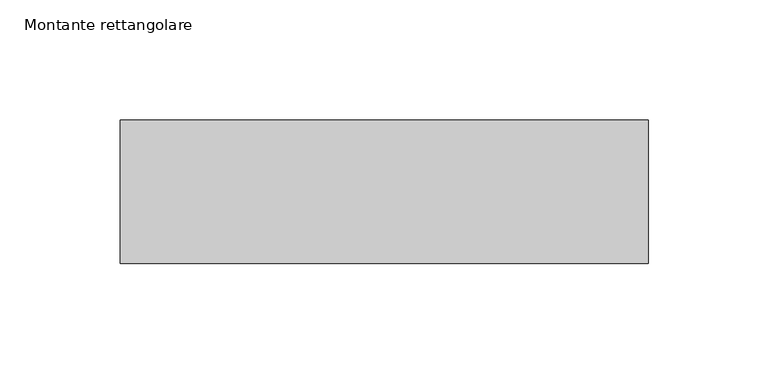
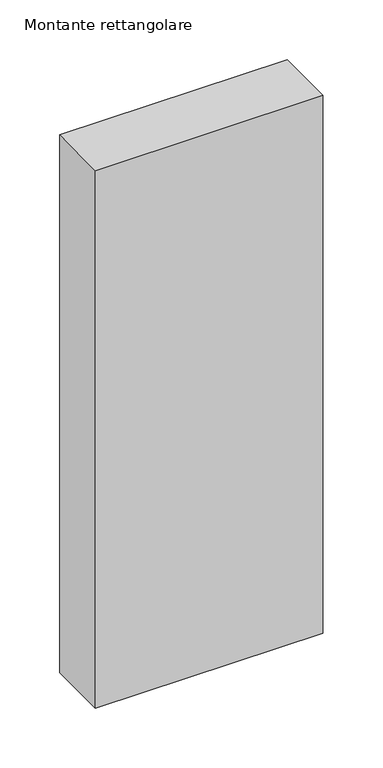
"""IFC4 building model written with IfcOpenShell, lengths in millimetres: member geometry, Montante rettangolare."""

import ifcopenshell
import ifcopenshell.guid

model = None  # the IFC model being written
_history = None  # IfcOwnerHistory: only IFC2X3 demands one
_inside = {}  # id of a spatial element -> (the spatial element, [elements in it])
_under = {}  # id of a project, library or spatial element -> (it, [spatial elements below it])
_declared = {}  # id of a project -> (the project, [libraries it declares])
_typed = {}  # id of a type object -> (the type object, [elements of that type])
_made_of = {}  # id of a material, layer set ... -> (it, [elements and type objects made of it])


def new_model(schema):
    """Start an empty IFC model of exactly this schema.

    Asked for "IFC4X3", IfcOpenShell would pick the latest addendum, in which some entities
    have other attributes; the version numbers below select the first issue.
    IFC2X3 requires an IfcOwnerHistory on every rooted entity: one is made here for all.
    """
    global model, _history
    if schema == "IFC4X3":
        model = ifcopenshell.file(schema_version=(4, 3, 0, 0))
    else:
        model = ifcopenshell.file(schema=schema)
    _inside.clear()
    _under.clear()
    _declared.clear()
    _typed.clear()
    _made_of.clear()
    _history = None
    if model.schema == "IFC2X3":
        org = make("IfcOrganization", Name="unknown")
        user = make(
            "IfcPersonAndOrganization",
            ThePerson=make("IfcPerson", FamilyName="unknown"),
            TheOrganization=org,
        )
        app = make(
            "IfcApplication",
            ApplicationDeveloper=org,
            Version="unknown",
            ApplicationFullName="unknown",
            ApplicationIdentifier="unknown",
        )
        _history = make(
            "IfcOwnerHistory",
            OwningUser=user,
            OwningApplication=app,
            ChangeAction="ADDED",
            CreationDate=0,
        )
    return model


def make(cls, **values):
    """One entity of the class cls with the attributes given. An attribute that is None is left unset."""
    return model.create_entity(
        cls, **{name: value for name, value in values.items() if value is not None}
    )


def rooted(cls, **values):
    """An entity with a GlobalId (a new one), such as an element, a storey or a relation."""
    return make(cls, GlobalId=ifcopenshell.guid.new(), OwnerHistory=_history, **values)


def si_unit(unit_type, name, prefix=None):
    """IfcSIUnit, for example si_unit("LENGTHUNIT", "METRE", prefix="MILLI")."""
    return make("IfcSIUnit", UnitType=unit_type, Prefix=prefix, Name=name)


def assignment(units):
    """IfcUnitAssignment: the units of a project."""
    return None if units is None else make("IfcUnitAssignment", Units=units)


def point(xyz):
    """IfcCartesianPoint."""
    return None if xyz is None else make("IfcCartesianPoint", Coordinates=xyz)


def direction(xyz):
    """IfcDirection."""
    return None if xyz is None else make("IfcDirection", DirectionRatios=xyz)


def frame(location, z_axis=None, x_axis=None):
    """IfcAxis2Placement3D, a coordinate frame: its origin and axes. An axis left out is left unset."""
    return make(
        "IfcAxis2Placement3D",
        Location=point(location),
        Axis=direction(z_axis),
        RefDirection=direction(x_axis),
    )


def origin():
    """The frame at (0, 0, 0) with its axes left unset."""
    return frame((0.0, 0.0, 0.0))


def place(relative_to, where):
    """IfcLocalPlacement: puts the frame where relative to a parent placement (None: the world)."""
    return make(
        "IfcLocalPlacement", PlacementRelTo=relative_to, RelativePlacement=where
    )


def context(
    kind, dimensions, precision=None, world=None, true_north=None, identifier=None
):
    """IfcGeometricRepresentationContext, for example the 3D "Model" context."""
    return make(
        "IfcGeometricRepresentationContext",
        ContextIdentifier=identifier,
        ContextType=kind,
        CoordinateSpaceDimension=dimensions,
        Precision=precision,
        WorldCoordinateSystem=world,
        TrueNorth=true_north,
    )


def project(units=None, contexts=None):
    """IfcProject with its units and contexts."""
    return rooted(
        "IfcProject",
        Name="project",
        RepresentationContexts=contexts,
        UnitsInContext=assignment(units),
    )


def spatial(cls, under=None, at=None, **own):
    """A site, building, storey or space (cls), placed at a placement, below another one or the project."""
    s = rooted(cls, ObjectPlacement=at, **own)
    if under is not None:
        _under.setdefault(under.id(), (under, []))[1].append(s)
    return s


def polyline(points):
    """IfcPolyline through the points."""
    return make("IfcPolyline", Points=[point(p) for p in points])


def outline(outer, holes=None, kind="AREA"):
    """IfcArbitraryClosedProfileDef: a profile drawn as a closed curve; with holes, ...WithVoids."""
    if holes is None:
        return make("IfcArbitraryClosedProfileDef", ProfileType=kind, OuterCurve=outer)
    return make(
        "IfcArbitraryProfileDefWithVoids",
        ProfileType=kind,
        OuterCurve=outer,
        InnerCurves=holes,
    )


def extrude(swept, where, along, depth):
    """IfcExtrudedAreaSolid: the profile swept, set in the frame where, extruded along a direction by depth."""
    return make(
        "IfcExtrudedAreaSolid",
        SweptArea=swept,
        Position=where,
        ExtrudedDirection=direction(along),
        Depth=depth,
    )


def shape(context_of_items, identifier, shape_type, items):
    """IfcShapeRepresentation: the items that make up one representation, for example the "Body"."""
    return make(
        "IfcShapeRepresentation",
        ContextOfItems=context_of_items,
        RepresentationIdentifier=identifier,
        RepresentationType=shape_type,
        Items=items,
    )


def source(mapping_origin, context_of_items, identifier, shape_type, items):
    """IfcRepresentationMap: a shape defined once, which mapped items show again and again."""
    return make(
        "IfcRepresentationMap",
        MappingOrigin=mapping_origin,
        MappedRepresentation=shape(context_of_items, identifier, shape_type, items),
    )


def transform(
    local_origin,
    x_axis=None,
    y_axis=None,
    z_axis=None,
    scale=None,
    scale2=None,
    scale3=None,
    uniform=True,
):
    """IfcCartesianTransformationOperator3D, or its non-uniform kind. x_axis, y_axis, z_axis: its Axis1, 2, 3."""
    if uniform:
        return make(
            "IfcCartesianTransformationOperator3D",
            Axis1=direction(x_axis),
            Axis2=direction(y_axis),
            LocalOrigin=point(local_origin),
            Scale=scale,
            Axis3=direction(z_axis),
        )
    return make(
        "IfcCartesianTransformationOperator3DnonUniform",
        Axis1=direction(x_axis),
        Axis2=direction(y_axis),
        LocalOrigin=point(local_origin),
        Scale=scale,
        Axis3=direction(z_axis),
        Scale2=scale2,
        Scale3=scale3,
    )


def mapped(mapping_source, mapping_target):
    """IfcMappedItem: shows the shape of a source again, moved by a transform."""
    return make(
        "IfcMappedItem", MappingSource=mapping_source, MappingTarget=mapping_target
    )


def made_of(thing, what):
    """Note that an element or type object is made of a material, layer set ...; save() writes the relation."""
    if what is not None:
        _made_of.setdefault(what.id(), (what, []))[1].append(thing)
    return thing


def element(
    cls,
    number,
    at=None,
    inside=None,
    cuts=None,
    type_object=None,
    material=None,
    context=None,
    identifier="Body",
    shape_type=None,
    held_by="IfcProductDefinitionShape",
    body=None,
    shapes=None,
    **own,
):
    """One element of the class cls, such as IfcWall. Its Tag is "e" and its number.

    at: its placement. inside: the storey or other place that contains it. cuts: it is an
    opening in that element (IfcRelVoidsElement). A single representation is given by context,
    identifier, shape_type and body (its items); several are given by shapes. held_by: the class
    of the entity that holds the representations. save() writes the other relations.
    """
    e = rooted(cls, Tag="e%d" % number, ObjectPlacement=at, **own)
    if body is not None:
        shapes = [shape(context, identifier, shape_type, body)]
    if shapes is not None:
        e.Representation = make(held_by, Representations=shapes)
    if inside is not None:
        _inside.setdefault(inside.id(), (inside, []))[1].append(e)
    if cuts is not None:
        rooted(
            "IfcRelVoidsElement", RelatingBuildingElement=cuts, RelatedOpeningElement=e
        )
    if type_object is not None:
        _typed.setdefault(type_object.id(), (type_object, []))[1].append(e)
    return made_of(e, material)


def aggregate(whole, parts):
    """IfcRelAggregates: a whole, such as a stair, and the parts it consists of."""
    return rooted("IfcRelAggregates", RelatingObject=whole, RelatedObjects=parts)


def save(model, path):
    """Write the relations noted so far, then the file.

    IfcRelAggregates (storeys below a building ...), IfcRelContainedInSpatialStructure (elements
    in a storey), IfcRelDefinesByType, IfcRelAssociatesMaterial and IfcRelDeclares: one each for
    every whole, place, type object, material and project.
    """
    for whole, parts in _under.values():
        aggregate(whole, parts)
    for where, things in _inside.values():
        rooted(
            "IfcRelContainedInSpatialStructure",
            RelatedElements=things,
            RelatingStructure=where,
        )
    for kind, things in _typed.values():
        rooted("IfcRelDefinesByType", RelatedObjects=things, RelatingType=kind)
    for what, things in _made_of.values():
        rooted("IfcRelAssociatesMaterial", RelatedObjects=things, RelatingMaterial=what)
    for by, libraries in _declared.values():
        rooted("IfcRelDeclares", RelatingContext=by, RelatedDefinitions=libraries)
    model.write(path)


def montante_rettangolare_9759f66a(model_context):
    return source(origin(), model_context, "Body", "SweptSolid", [
        extrude(outline(polyline([(110.0, 30.0), (110.0, -30.0), (-110.0, -30.0), (-110.0, 30.0), (110.0, 30.0)])), frame((0.0, 0.0, -550.0), z_axis=(0.0, 0.0, 1.0), x_axis=(1.0, 0.0, 0.0)), (0.0, 0.0, 1.0), 550.0),
    ])


if __name__ == "__main__":
    model = new_model("IFC4")
    model_context = context("Model", 3, world=origin())
    ifc_project = project(units=[si_unit("LENGTHUNIT", "METRE", prefix="MILLI")], contexts=[model_context])
    site = spatial("IfcSite", under=ifc_project)
    building = spatial("IfcBuilding", under=site)
    placement = place(None, origin())
    montante_rettangolare_shape = montante_rettangolare_9759f66a(model_context)
    element("IfcMember", 1, ObjectType="Montante rettangolare", at=placement, inside=building, context=model_context, shape_type="MappedRepresentation", body=[
        mapped(montante_rettangolare_shape, transform((0.0, 0.0, 0.0), x_axis=(1.0, 0.0, 0.0), y_axis=(0.0, 1.0, 0.0), z_axis=(0.0, 0.0, 1.0))),
    ])
    save(model, "model.ifc")
